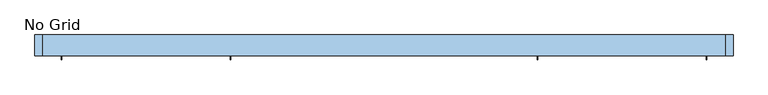
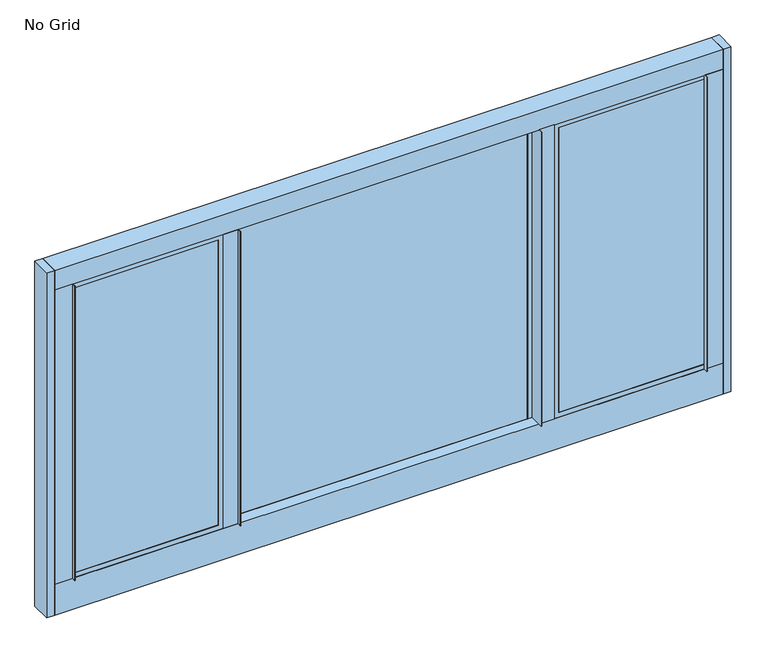
"""IFC4 building model written with IfcOpenShell, lengths in millimetres: window geometry, No Grid."""

from ifc_helpers import new_model, si_unit, point, frame, frame_2d, origin, place, context, project, spatial, polyline, circle_curve, trimmed, segment, composite_curve, outline, extrude, faceted_brep, source, transform, mapped, element, save


def no_grid_3830f0e9(model_context):
    return source(origin(), model_context, "Body", "SolidModel", [
        extrude(outline(polyline([(-1055.0144, 37.8203269), (-1055.0144, 40.9953269), (-569.3029, 40.9953269), (-569.3029, 37.8203269), (-1055.0144, 37.8203269)])), frame((0.0, 0.0, 1039.6982), z_axis=(0.0, 0.0, 1.0), x_axis=(1.0, 0.0, 0.0)), (0.0, 0.0, 1.0), 1008.1768),
        extrude(outline(polyline([(-1055.0144, 44.8307269), (-1055.0144, 48.0057269), (-569.3029, 48.0057269), (-569.3029, 44.8307269), (-1055.0144, 44.8307269)])), frame((0.0, 0.0, 1039.6982), z_axis=(0.0, 0.0, 1.0), x_axis=(1.0, 0.0, 0.0)), (0.0, 0.0, 1.0), 1008.1768),
        extrude(outline(polyline([(-501.5865, 21.6408), (-503.1105, 21.6408), (-503.1105, 34.3408), (-553.4279, 34.3408), (-553.4279, 73.076068), (-501.5865, 73.076068), (-501.5865, 21.6408)])), frame((0.0, 0.0, 1023.8232), z_axis=(0.0, 0.0, 1.0), x_axis=(1.0, 0.0, 0.0)), (0.0, 0.0, 1.0), 1039.9268),
        extrude(outline(composite_curve([segment(trimmed(circle_curve(frame_2d((-1079.525936, 64.439532)), 8.636536), [point((-1079.525936, 73.076068))], [point((-1070.8894, 64.439532))], False, "CARTESIAN"), True, "CONTINUOUS"), segment(polyline([(-1070.8894, 64.439532), (-1070.8894, 35.9156), (-1055.0144, 35.9156), (-1055.0144, 21.6408), (-1056.5384, 21.6408), (-1056.5384, 34.3408), (-1116.6602, 34.3408), (-1116.6602, 73.076068), (-1079.525936, 73.076068)]), True, "CONTINUOUS")], self_intersect=False)), frame((0.0, 0.0, 1023.8232), z_axis=(0.0, 0.0, 1.0), x_axis=(1.0, 0.0, 0.0)), (0.0, 0.0, 1.0), 1039.9268),
        extrude(outline(polyline([(-501.5865, 103.1748), (-501.5865, 73.076068), (-553.4279, 73.076068), (-553.4279, 103.1748), (-501.5865, 103.1748)])), frame((0.0, 0.0, 1007.9482), z_axis=(0.0, 0.0, 1.0), x_axis=(1.0, 0.0, 0.0)), (0.0, 0.0, 1.0), 1071.6768),
        faceted_brep([(-1067.7906, 48.0057269, 2060.6512), (-1067.7906, 37.8203269, 2060.6512), (-1067.7906, 37.8203269, 1026.922), (-1067.7906, 48.0057269, 1026.922), (-1055.0144, 37.8203269, 2047.875), (-1055.0144, 35.9156, 2047.875), (-1055.0144, 35.9156, 1039.6982), (-1055.0144, 37.8203269, 1039.6982), (-1070.8894, 35.9156, 2063.75), (-1070.8894, 64.439532, 2063.75), (-1070.8894, 64.439532, 1023.8232), (-1070.8894, 35.9156, 1023.8232), (-1055.0144, 64.439532, 2047.875), (-1055.0144, 48.0057269, 2047.875), (-1055.0144, 48.0057269, 1039.6982), (-1055.0144, 64.439532, 1039.6982), (-556.5267, 37.8203269, 1026.922), (-556.5267, 48.0057269, 1026.922), (-569.3029, 35.9156, 1039.6982), (-569.3029, 37.8203269, 1039.6982), (-553.4279, 64.439532, 1023.8232), (-553.4279, 35.9156, 1023.8232), (-569.3029, 48.0057269, 1039.6982), (-569.3029, 64.439532, 1039.6982), (-556.5267, 37.8203269, 2060.6512), (-556.5267, 48.0057269, 2060.6512), (-569.3029, 35.9156, 2047.875), (-569.3029, 37.8203269, 2047.875), (-553.4279, 64.439532, 2063.75), (-553.4279, 35.9156, 2063.75), (-569.3029, 48.0057269, 2047.875), (-569.3029, 64.439532, 2047.875)], [[[0, 1, 2, 3]], [[4, 5, 6, 7]], [[8, 9, 10, 11]], [[12, 13, 14, 15]], [[3, 2, 16, 17]], [[7, 6, 18, 19]], [[11, 10, 20, 21]], [[15, 14, 22, 23]], [[17, 16, 24, 25]], [[19, 18, 26, 27]], [[21, 20, 28, 29]], [[23, 22, 30, 31]], [[3, 17, 25, 0], [13, 30, 22, 14]], [[25, 24, 1, 0]], [[1, 24, 16, 2], [7, 19, 27, 4]], [[27, 26, 5, 4]], [[11, 21, 29, 8], [5, 26, 18, 6]], [[29, 28, 9, 8]], [[9, 28, 20, 10], [15, 23, 31, 12]], [[31, 30, 13, 12]]]),
        extrude(outline(polyline([(501.5865, 21.6408), (501.5865, 73.076068), (553.4279, 73.076068), (553.4279, 34.3408), (503.1105, 34.3408), (503.1105, 21.6408), (501.5865, 21.6408)])), frame((0.0, 0.0, 1023.8232), z_axis=(0.0, 0.0, 1.0), x_axis=(1.0, 0.0, 0.0)), (0.0, 0.0, 1.0), 1039.9268),
        extrude(outline(composite_curve([segment(polyline([(1079.525936, 73.076068), (1116.6602, 73.076068), (1116.6602, 34.3408), (1056.5384, 34.3408), (1056.5384, 21.6408), (1055.0144, 21.6408), (1055.0144, 35.9156), (1070.8894, 35.9156), (1070.8894, 64.439532)]), True, "CONTINUOUS"), segment(trimmed(circle_curve(frame_2d((1079.525936, 64.439532)), 8.636536), [point((1070.8894, 64.439532))], [point((1079.525936, 73.076068))], False, "CARTESIAN"), True, "CONTINUOUS")], self_intersect=False)), frame((0.0, 0.0, 1023.8232), z_axis=(0.0, 0.0, 1.0), x_axis=(1.0, 0.0, 0.0)), (0.0, 0.0, 1.0), 1039.9268),
        extrude(outline(polyline([(501.5865, 103.1748), (553.4279, 103.1748), (553.4279, 73.076068), (501.5865, 73.076068), (501.5865, 103.1748)])), frame((0.0, 0.0, 1007.9482), z_axis=(0.0, 0.0, 1.0), x_axis=(1.0, 0.0, 0.0)), (0.0, 0.0, 1.0), 1071.6768),
        extrude(outline(polyline([(103.1748, 914.4), (34.3408, 914.4), (34.3408, 1023.8232), (73.076068, 1023.8232), (73.076068, 1007.9482), (103.1748, 1007.9482), (103.1748, 914.4)])), frame((-1116.6602, 0.0, 0.0), z_axis=(1.0, 0.0, 0.0), x_axis=(0.0, 1.0, 0.0)), (0.0, 0.0, 1.0), 2233.3204),
        extrude(outline(polyline([(103.1748, 2079.625), (73.076068, 2079.625), (73.076068, 2063.75), (34.3408, 2063.75), (34.3408, 2133.6), (103.1748, 2133.6), (103.1748, 2079.625)])), frame((-1116.6602, 0.0, 0.0), z_axis=(1.0, 0.0, 0.0), x_axis=(0.0, 1.0, 0.0)), (0.0, 0.0, 1.0), 2233.3204),
        extrude(outline(polyline([(-485.7115, 74.9807949), (-485.7115, 78.1557949), (485.7115, 78.1557949), (485.7115, 74.9807949), (-485.7115, 74.9807949)])), frame((0.0, 0.0, 1023.8232), z_axis=(0.0, 0.0, 1.0), x_axis=(1.0, 0.0, 0.0)), (0.0, 0.0, 1.0), 1039.9268),
        extrude(outline(polyline([(-485.7115, 81.9911949), (-485.7115, 85.1661949), (485.7115, 85.1661949), (485.7115, 81.9911949), (-485.7115, 81.9911949)])), frame((0.0, 0.0, 1023.8232), z_axis=(0.0, 0.0, 1.0), x_axis=(1.0, 0.0, 0.0)), (0.0, 0.0, 1.0), 1039.9268),
        extrude(outline(polyline([(1116.6602, 103.1748), (1143.0, 103.1748), (1143.0, 34.3408), (1116.6602, 34.3408), (1116.6602, 103.1748)])), frame((0.0, 0.0, 914.4), z_axis=(0.0, 0.0, 1.0), x_axis=(1.0, 0.0, 0.0)), (0.0, 0.0, 1.0), 1219.2),
        extrude(outline(polyline([(-1116.6602, 103.1748), (-1116.6602, 34.3408), (-1143.0, 34.3408), (-1143.0, 103.1748), (-1116.6602, 103.1748)])), frame((0.0, 0.0, 914.4), z_axis=(0.0, 0.0, 1.0), x_axis=(1.0, 0.0, 0.0)), (0.0, 0.0, 1.0), 1219.2),
        extrude(outline(polyline([(1055.0144, 40.9953269), (1055.0144, 37.8203269), (569.3029, 37.8203269), (569.3029, 40.9953269), (1055.0144, 40.9953269)])), frame((0.0, 0.0, 1039.6982), z_axis=(0.0, 0.0, 1.0), x_axis=(1.0, 0.0, 0.0)), (0.0, 0.0, 1.0), 1008.1768),
        extrude(outline(polyline([(1055.0144, 48.0057269), (1055.0144, 44.8307269), (569.3029, 44.8307269), (569.3029, 48.0057269), (1055.0144, 48.0057269)])), frame((0.0, 0.0, 1039.6982), z_axis=(0.0, 0.0, 1.0), x_axis=(1.0, 0.0, 0.0)), (0.0, 0.0, 1.0), 1008.1768),
        faceted_brep([(1067.7906, 37.8203269, 2060.6512), (1067.7906, 48.0057269, 2060.6512), (1067.7906, 48.0057269, 1026.922), (1067.7906, 37.8203269, 1026.922), (1055.0144, 35.9156, 2047.875), (1055.0144, 37.8203269, 2047.875), (1055.0144, 37.8203269, 1039.6982), (1055.0144, 35.9156, 1039.6982), (1070.8894, 64.439532, 2063.75), (1070.8894, 35.9156, 2063.75), (1070.8894, 35.9156, 1023.8232), (1070.8894, 64.439532, 1023.8232), (1055.0144, 48.0057269, 2047.875), (1055.0144, 64.439532, 2047.875), (1055.0144, 64.439532, 1039.6982), (1055.0144, 48.0057269, 1039.6982), (556.5267, 48.0057269, 1026.922), (556.5267, 37.8203269, 1026.922), (569.3029, 37.8203269, 1039.6982), (569.3029, 35.9156, 1039.6982), (553.4279, 35.9156, 1023.8232), (553.4279, 64.439532, 1023.8232), (569.3029, 64.439532, 1039.6982), (569.3029, 48.0057269, 1039.6982), (556.5267, 48.0057269, 2060.6512), (556.5267, 37.8203269, 2060.6512), (569.3029, 37.8203269, 2047.875), (569.3029, 35.9156, 2047.875), (553.4279, 35.9156, 2063.75), (553.4279, 64.439532, 2063.75), (569.3029, 64.439532, 2047.875), (569.3029, 48.0057269, 2047.875)], [[[0, 1, 2, 3]], [[4, 5, 6, 7]], [[8, 9, 10, 11]], [[12, 13, 14, 15]], [[3, 2, 16, 17]], [[7, 6, 18, 19]], [[11, 10, 20, 21]], [[15, 14, 22, 23]], [[17, 16, 24, 25]], [[19, 18, 26, 27]], [[21, 20, 28, 29]], [[23, 22, 30, 31]], [[1, 24, 16, 2], [15, 23, 31, 12]], [[25, 24, 1, 0]], [[3, 17, 25, 0], [5, 26, 18, 6]], [[27, 26, 5, 4]], [[9, 28, 20, 10], [7, 19, 27, 4]], [[29, 28, 9, 8]], [[11, 21, 29, 8], [13, 30, 22, 14]], [[31, 30, 13, 12]]]),
        faceted_brep([(-485.7115, 101.6, 2063.75), (-485.7115, 85.1661949, 2063.75), (-485.7115, 85.1661949, 1023.8232), (-485.7115, 101.6, 1023.8232), (-501.5865, 73.076068, 2079.625), (-501.5865, 101.6, 2079.625), (-501.5865, 101.6, 1007.9482), (-501.5865, 73.076068, 1007.9482), (-485.7115, 74.9807949, 2063.75), (-485.7115, 73.076068, 2063.75), (-485.7115, 73.076068, 1023.8232), (-485.7115, 74.9807949, 1023.8232), (-498.4877, 85.1661949, 2076.5262), (-498.4877, 74.9807949, 2076.5262), (-498.4877, 74.9807949, 1011.047), (-498.4877, 85.1661949, 1011.047), (485.7115, 85.1661949, 1023.8232), (485.7115, 101.6, 1023.8232), (501.5865, 101.6, 1007.9482), (501.5865, 73.076068, 1007.9482), (485.7115, 73.076068, 1023.8232), (485.7115, 74.9807949, 1023.8232), (498.4877, 74.9807949, 1011.047), (498.4877, 85.1661949, 1011.047), (485.7115, 85.1661949, 2063.75), (485.7115, 101.6, 2063.75), (501.5865, 101.6, 2079.625), (501.5865, 73.076068, 2079.625), (485.7115, 73.076068, 2063.75), (485.7115, 74.9807949, 2063.75), (498.4877, 74.9807949, 2076.5262), (498.4877, 85.1661949, 2076.5262)], [[[0, 1, 2, 3]], [[4, 5, 6, 7]], [[8, 9, 10, 11]], [[12, 13, 14, 15]], [[3, 2, 16, 17]], [[7, 6, 18, 19]], [[11, 10, 20, 21]], [[15, 14, 22, 23]], [[17, 16, 24, 25]], [[19, 18, 26, 27]], [[21, 20, 28, 29]], [[23, 22, 30, 31]], [[25, 24, 1, 0]], [[5, 26, 18, 6], [3, 17, 25, 0]], [[27, 26, 5, 4]], [[7, 19, 27, 4], [9, 28, 20, 10]], [[29, 28, 9, 8]], [[13, 30, 22, 14], [11, 21, 29, 8]], [[31, 30, 13, 12]], [[15, 23, 31, 12], [1, 24, 16, 2]]]),
    ])


if __name__ == "__main__":
    model = new_model("IFC4")
    model_context = context("Model", 3, world=origin())
    ifc_project = project(units=[si_unit("LENGTHUNIT", "METRE", prefix="MILLI")], contexts=[model_context])
    site = spatial("IfcSite", under=ifc_project)
    building = spatial("IfcBuilding", under=site)
    placement = place(None, origin())
    no_grid_shape = no_grid_3830f0e9(model_context)
    element("IfcWindow", 1, ObjectType="No Grid", at=placement, inside=building, context=model_context, shape_type="MappedRepresentation", body=[
        mapped(no_grid_shape, transform((0.0, 0.0, 0.0), x_axis=(1.0, 0.0, 0.0), y_axis=(0.0, 1.0, 0.0), z_axis=(0.0, 0.0, 1.0))),
    ])
    save(model, "model.ifc")
